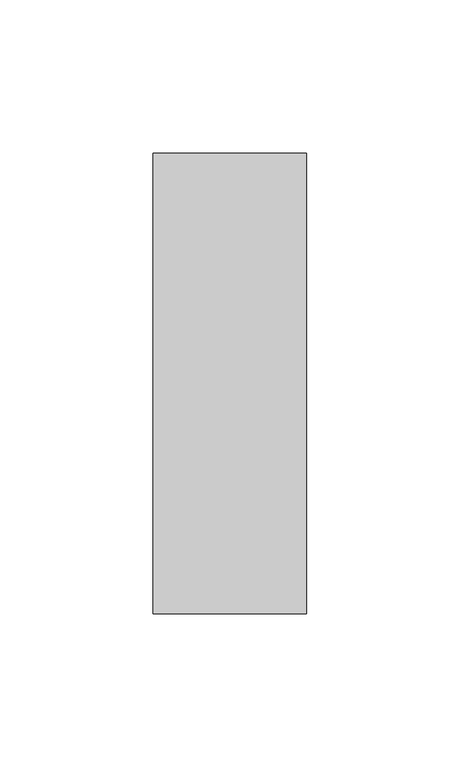
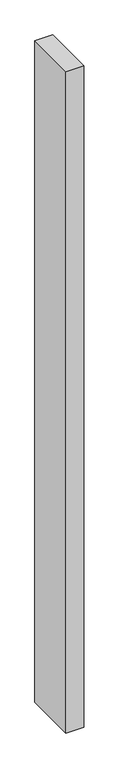
"""IFC4 building model written with IfcOpenShell, lengths in millimetres: member geometry."""

import ifcopenshell
import ifcopenshell.guid

model = None  # the IFC model being written
_history = None  # IfcOwnerHistory: only IFC2X3 demands one
_inside = {}  # id of a spatial element -> (the spatial element, [elements in it])
_under = {}  # id of a project, library or spatial element -> (it, [spatial elements below it])
_declared = {}  # id of a project -> (the project, [libraries it declares])
_typed = {}  # id of a type object -> (the type object, [elements of that type])
_made_of = {}  # id of a material, layer set ... -> (it, [elements and type objects made of it])


def new_model(schema):
    """Start an empty IFC model of exactly this schema.

    Asked for "IFC4X3", IfcOpenShell would pick the latest addendum, in which some entities
    have other attributes; the version numbers below select the first issue.
    IFC2X3 requires an IfcOwnerHistory on every rooted entity: one is made here for all.
    """
    global model, _history
    if schema == "IFC4X3":
        model = ifcopenshell.file(schema_version=(4, 3, 0, 0))
    else:
        model = ifcopenshell.file(schema=schema)
    _inside.clear()
    _under.clear()
    _declared.clear()
    _typed.clear()
    _made_of.clear()
    _history = None
    if model.schema == "IFC2X3":
        org = make("IfcOrganization", Name="unknown")
        user = make(
            "IfcPersonAndOrganization",
            ThePerson=make("IfcPerson", FamilyName="unknown"),
            TheOrganization=org,
        )
        app = make(
            "IfcApplication",
            ApplicationDeveloper=org,
            Version="unknown",
            ApplicationFullName="unknown",
            ApplicationIdentifier="unknown",
        )
        _history = make(
            "IfcOwnerHistory",
            OwningUser=user,
            OwningApplication=app,
            ChangeAction="ADDED",
            CreationDate=0,
        )
    return model


def make(cls, **values):
    """One entity of the class cls with the attributes given. An attribute that is None is left unset."""
    return model.create_entity(
        cls, **{name: value for name, value in values.items() if value is not None}
    )


def rooted(cls, **values):
    """An entity with a GlobalId (a new one), such as an element, a storey or a relation."""
    return make(cls, GlobalId=ifcopenshell.guid.new(), OwnerHistory=_history, **values)


def si_unit(unit_type, name, prefix=None):
    """IfcSIUnit, for example si_unit("LENGTHUNIT", "METRE", prefix="MILLI")."""
    return make("IfcSIUnit", UnitType=unit_type, Prefix=prefix, Name=name)


def assignment(units):
    """IfcUnitAssignment: the units of a project."""
    return None if units is None else make("IfcUnitAssignment", Units=units)


def point(xyz):
    """IfcCartesianPoint."""
    return None if xyz is None else make("IfcCartesianPoint", Coordinates=xyz)


def direction(xyz):
    """IfcDirection."""
    return None if xyz is None else make("IfcDirection", DirectionRatios=xyz)


def frame(location, z_axis=None, x_axis=None):
    """IfcAxis2Placement3D, a coordinate frame: its origin and axes. An axis left out is left unset."""
    return make(
        "IfcAxis2Placement3D",
        Location=point(location),
        Axis=direction(z_axis),
        RefDirection=direction(x_axis),
    )


def origin():
    """The frame at (0, 0, 0) with its axes left unset."""
    return frame((0.0, 0.0, 0.0))


def place(relative_to, where):
    """IfcLocalPlacement: puts the frame where relative to a parent placement (None: the world)."""
    return make(
        "IfcLocalPlacement", PlacementRelTo=relative_to, RelativePlacement=where
    )


def context(
    kind, dimensions, precision=None, world=None, true_north=None, identifier=None
):
    """IfcGeometricRepresentationContext, for example the 3D "Model" context."""
    return make(
        "IfcGeometricRepresentationContext",
        ContextIdentifier=identifier,
        ContextType=kind,
        CoordinateSpaceDimension=dimensions,
        Precision=precision,
        WorldCoordinateSystem=world,
        TrueNorth=true_north,
    )


def project(units=None, contexts=None):
    """IfcProject with its units and contexts."""
    return rooted(
        "IfcProject",
        Name="project",
        RepresentationContexts=contexts,
        UnitsInContext=assignment(units),
    )


def spatial(cls, under=None, at=None, **own):
    """A site, building, storey or space (cls), placed at a placement, below another one or the project."""
    s = rooted(cls, ObjectPlacement=at, **own)
    if under is not None:
        _under.setdefault(under.id(), (under, []))[1].append(s)
    return s


def polyline(points):
    """IfcPolyline through the points."""
    return make("IfcPolyline", Points=[point(p) for p in points])


def outline(outer, holes=None, kind="AREA"):
    """IfcArbitraryClosedProfileDef: a profile drawn as a closed curve; with holes, ...WithVoids."""
    if holes is None:
        return make("IfcArbitraryClosedProfileDef", ProfileType=kind, OuterCurve=outer)
    return make(
        "IfcArbitraryProfileDefWithVoids",
        ProfileType=kind,
        OuterCurve=outer,
        InnerCurves=holes,
    )


def extrude(swept, where, along, depth):
    """IfcExtrudedAreaSolid: the profile swept, set in the frame where, extruded along a direction by depth."""
    return make(
        "IfcExtrudedAreaSolid",
        SweptArea=swept,
        Position=where,
        ExtrudedDirection=direction(along),
        Depth=depth,
    )


def shape(context_of_items, identifier, shape_type, items):
    """IfcShapeRepresentation: the items that make up one representation, for example the "Body"."""
    return make(
        "IfcShapeRepresentation",
        ContextOfItems=context_of_items,
        RepresentationIdentifier=identifier,
        RepresentationType=shape_type,
        Items=items,
    )


def source(mapping_origin, context_of_items, identifier, shape_type, items):
    """IfcRepresentationMap: a shape defined once, which mapped items show again and again."""
    return make(
        "IfcRepresentationMap",
        MappingOrigin=mapping_origin,
        MappedRepresentation=shape(context_of_items, identifier, shape_type, items),
    )


def transform(
    local_origin,
    x_axis=None,
    y_axis=None,
    z_axis=None,
    scale=None,
    scale2=None,
    scale3=None,
    uniform=True,
):
    """IfcCartesianTransformationOperator3D, or its non-uniform kind. x_axis, y_axis, z_axis: its Axis1, 2, 3."""
    if uniform:
        return make(
            "IfcCartesianTransformationOperator3D",
            Axis1=direction(x_axis),
            Axis2=direction(y_axis),
            LocalOrigin=point(local_origin),
            Scale=scale,
            Axis3=direction(z_axis),
        )
    return make(
        "IfcCartesianTransformationOperator3DnonUniform",
        Axis1=direction(x_axis),
        Axis2=direction(y_axis),
        LocalOrigin=point(local_origin),
        Scale=scale,
        Axis3=direction(z_axis),
        Scale2=scale2,
        Scale3=scale3,
    )


def mapped(mapping_source, mapping_target):
    """IfcMappedItem: shows the shape of a source again, moved by a transform."""
    return make(
        "IfcMappedItem", MappingSource=mapping_source, MappingTarget=mapping_target
    )


def made_of(thing, what):
    """Note that an element or type object is made of a material, layer set ...; save() writes the relation."""
    if what is not None:
        _made_of.setdefault(what.id(), (what, []))[1].append(thing)
    return thing


def element(
    cls,
    number,
    at=None,
    inside=None,
    cuts=None,
    type_object=None,
    material=None,
    context=None,
    identifier="Body",
    shape_type=None,
    held_by="IfcProductDefinitionShape",
    body=None,
    shapes=None,
    **own,
):
    """One element of the class cls, such as IfcWall. Its Tag is "e" and its number.

    at: its placement. inside: the storey or other place that contains it. cuts: it is an
    opening in that element (IfcRelVoidsElement). A single representation is given by context,
    identifier, shape_type and body (its items); several are given by shapes. held_by: the class
    of the entity that holds the representations. save() writes the other relations.
    """
    e = rooted(cls, Tag="e%d" % number, ObjectPlacement=at, **own)
    if body is not None:
        shapes = [shape(context, identifier, shape_type, body)]
    if shapes is not None:
        e.Representation = make(held_by, Representations=shapes)
    if inside is not None:
        _inside.setdefault(inside.id(), (inside, []))[1].append(e)
    if cuts is not None:
        rooted(
            "IfcRelVoidsElement", RelatingBuildingElement=cuts, RelatedOpeningElement=e
        )
    if type_object is not None:
        _typed.setdefault(type_object.id(), (type_object, []))[1].append(e)
    return made_of(e, material)


def aggregate(whole, parts):
    """IfcRelAggregates: a whole, such as a stair, and the parts it consists of."""
    return rooted("IfcRelAggregates", RelatingObject=whole, RelatedObjects=parts)


def save(model, path):
    """Write the relations noted so far, then the file.

    IfcRelAggregates (storeys below a building ...), IfcRelContainedInSpatialStructure (elements
    in a storey), IfcRelDefinesByType, IfcRelAssociatesMaterial and IfcRelDeclares: one each for
    every whole, place, type object, material and project.
    """
    for whole, parts in _under.values():
        aggregate(whole, parts)
    for where, things in _inside.values():
        rooted(
            "IfcRelContainedInSpatialStructure",
            RelatedElements=things,
            RelatingStructure=where,
        )
    for kind, things in _typed.values():
        rooted("IfcRelDefinesByType", RelatedObjects=things, RelatingType=kind)
    for what, things in _made_of.values():
        rooted("IfcRelAssociatesMaterial", RelatedObjects=things, RelatingMaterial=what)
    for by, libraries in _declared.values():
        rooted("IfcRelDeclares", RelatingContext=by, RelatedDefinitions=libraries)
    model.write(path)


def member_728da853(model_context):
    return source(origin(), model_context, "Body", "SweptSolid", [
        extrude(outline(polyline([(25.0, 75.0), (25.0, -75.0), (-25.0, -75.0), (-25.0, 75.0), (25.0, 75.0)])), frame((0.0, 0.0, -1950.0), z_axis=(0.0, 0.0, 1.0), x_axis=(1.0, 0.0, 0.0)), (0.0, 0.0, 1.0), 1950.0),
    ])


if __name__ == "__main__":
    model = new_model("IFC4")
    model_context = context("Model", 3, world=origin())
    ifc_project = project(units=[si_unit("LENGTHUNIT", "METRE", prefix="MILLI")], contexts=[model_context])
    site = spatial("IfcSite", under=ifc_project)
    building = spatial("IfcBuilding", under=site)
    placement = place(None, origin())
    member_shape = member_728da853(model_context)
    element("IfcMember", 1, at=placement, inside=building, context=model_context, shape_type="MappedRepresentation", body=[
        mapped(member_shape, transform((0.0, 0.0, 0.0), x_axis=(1.0, 0.0, 0.0), y_axis=(0.0, 1.0, 0.0), z_axis=(0.0, 0.0, 1.0))),
    ])
    save(model, "model.ifc")
